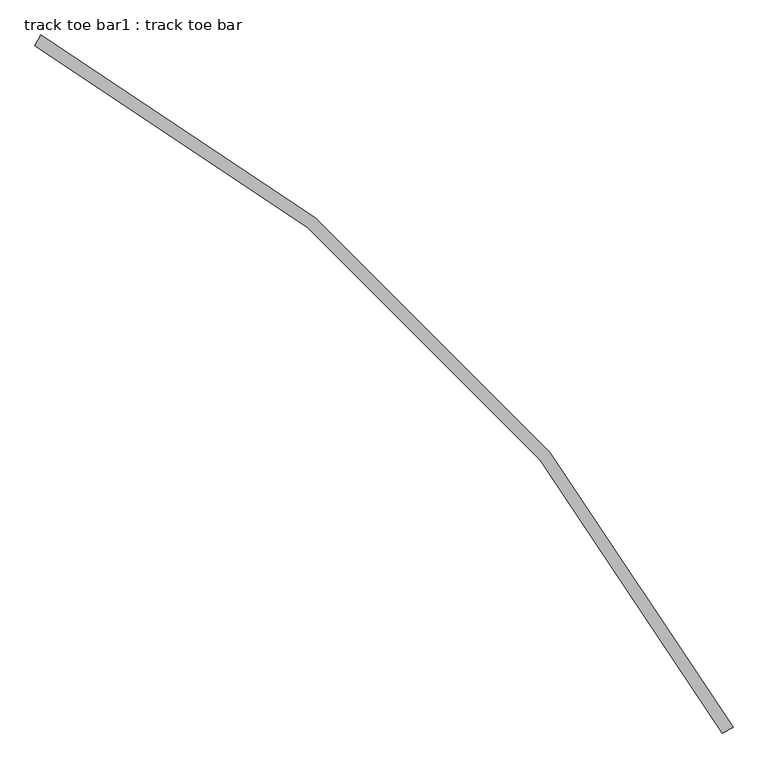
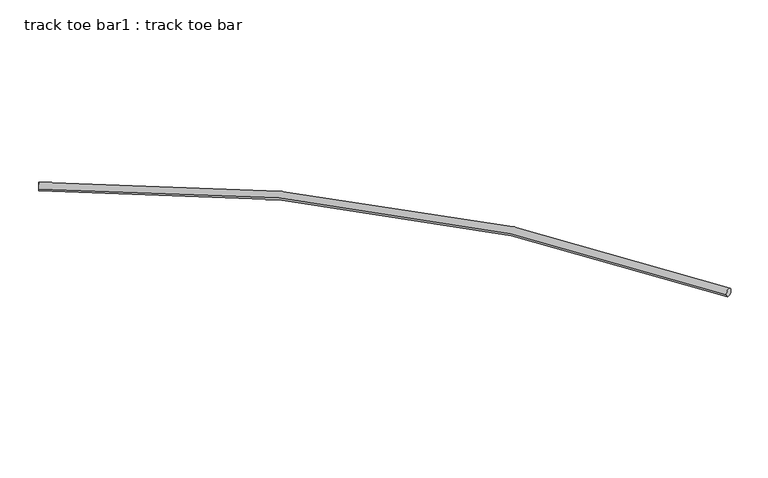
"""IFC4 building model written with IfcOpenShell, lengths in millimetres: proxy geometry, track toe bar1 : track toe bar."""

from ifc_helpers import new_model, si_unit, point, frame, origin, place, context, project, spatial, circle_curve, ellipse_curve, trimmed, source, transform, mapped, element, save
from ifc_brep_helpers import plane_surface, revolved_surface, advanced_brep


def track_toe_bar1_track_toe_bar_e1c0c529(model_context):
    return source(origin(), model_context, "Body", "AdvancedBrep", [
        advanced_brep(
        [(568267.8557519, -250653.1130322, 4855.8150744), (568303.7145754, -250585.8777381, 4855.8150744), (572582.1204578, -254967.3777381, 4855.8150744), (572649.3557519, -254931.5189146, 4855.8150744)],
        [
            (0, 1, circle_curve(frame((568285.7851636, -250619.4953851, 4855.8150744), z_axis=(-0.8823529411766178, 0.47058823529384186, 0.0), x_axis=(0.47058823529384186, 0.8823529411766178, 0.0)), 38.1)),
            (1, 0, circle_curve(frame((568285.7851636, -250619.4953851, 4855.8150744), z_axis=(-0.8823529411766178, 0.47058823529384186, 0.0), x_axis=(0.47058823529384186, 0.8823529411766178, 0.0)), 38.1)),
            (2, 3, circle_curve(frame((572615.7381048, -254949.4483263, 4855.8150744), z_axis=(0.47058823529386234, -0.8823529411766067, 0.0), x_axis=(0.8823529411766067, 0.47058823529386234, 0.0)), 38.1)),
            (3, 2, circle_curve(frame((572615.7381048, -254949.4483263, 4855.8150744), z_axis=(0.47058823529386234, -0.8823529411766067, 0.0), x_axis=(0.8823529411766067, 0.47058823529386234, 0.0)), 38.1)),
            (3, 1, circle_curve(frame((563337.2675166, -259897.9659734, 4855.8150744), z_axis=(0.0, 0.0, 1.0), x_axis=(0.47058823529384175, 0.8823529411766178, 0.0)), 10553.7)),
            (0, 2, circle_curve(frame((563337.2675166, -259897.9659734, 4855.8150744), z_axis=(0.0, 0.0, -1.0), x_axis=(0.47058823529384175, 0.8823529411766178, 0.0)), 10477.5)),
        ],
        [
            plane_surface(frame((568285.7851636, -250619.4953851, 4927.6), z_axis=(-0.8823529411766178, 0.47058823529384186, 0.0), x_axis=(0.0, 0.0, 1.0))),
            plane_surface(frame((572615.7381048, -254949.4483263, 4927.6), z_axis=(0.4705882352938624, -0.8823529411766067, 0.0), x_axis=(0.0, 0.0, 1.0))),
            revolved_surface(trimmed(ellipse_curve(frame((568285.7851636, -250619.4953851, 4855.8150744), z_axis=(-0.8823529411766178, 0.47058823529384186, 0.0), x_axis=(0.47058823529384186, 0.8823529411766178, 0.0)), 38.1, 38.1), [point((568267.8557519, -250653.1130322, 4855.8150744))], [point((568303.7145754, -250585.8777381, 4855.8150744))], True, "CARTESIAN"), (563337.2675166, -259897.9659734, 4927.6), (0.0, 0.0, -1.0)),
            revolved_surface(trimmed(ellipse_curve(frame((568285.7851636, -250619.4953851, 4855.8150744), z_axis=(-0.8823529411766178, 0.47058823529384186, 0.0), x_axis=(0.47058823529384186, 0.8823529411766178, 0.0)), 38.1, 38.1), [point((568303.7145754, -250585.8777381, 4855.8150744))], [point((568267.8557519, -250653.1130322, 4855.8150744))], True, "CARTESIAN"), (563337.2675166, -259897.9659734, 4927.6), (0.0, 0.0, -1.0)),
        ],
        [
            (0, [[1, 2]]),
            (1, [[3, 4]]),
            (2, [[5, -1, 6, -4]]),
            (3, [[-6, -2, -5, -3]]),
        ],
    ),
    ])


if __name__ == "__main__":
    model = new_model("IFC4")
    model_context = context("Model", 3, world=origin())
    ifc_project = project(units=[si_unit("LENGTHUNIT", "METRE", prefix="MILLI")], contexts=[model_context])
    site = spatial("IfcSite", under=ifc_project)
    building = spatial("IfcBuilding", under=site)
    placement = place(None, origin())
    track_toe_bar1_track_toe_bar_shape = track_toe_bar1_track_toe_bar_e1c0c529(model_context)
    element("IfcBuildingElementProxy", 1, Name="track toe bar1 : track toe bar", ObjectType="track toe bar1 : track toe bar", at=placement, inside=building, context=model_context, shape_type="MappedRepresentation", body=[
        mapped(track_toe_bar1_track_toe_bar_shape, transform((0.0, 0.0, 0.0), x_axis=(1.0, 0.0, 0.0), y_axis=(0.0, 1.0, 0.0), z_axis=(0.0, 0.0, 1.0))),
    ])
    save(model, "model.ifc")
